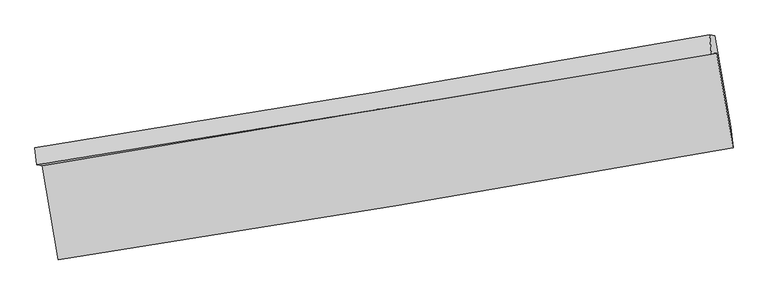
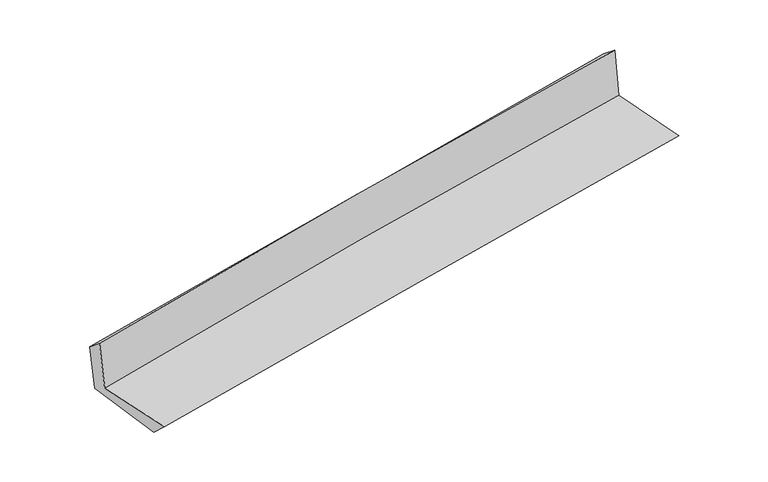
"""IFC4 building model written with IfcOpenShell, lengths in millimetres: proxy geometry."""

from ifc_helpers import new_model, si_unit, frame, origin, place, context, project, spatial, source, transform, mapped, element, save
from ifc_brep_helpers import plane_surface, spline_curve, spline_surface, advanced_brep


def generic_models_70b0cada(model_context):
    return source(origin(), model_context, "Body", "AdvancedBrep", [
        advanced_brep(
        [(-2358.4598446, -1885.3080846, 1650.1018333), (-2245.6253904, -2535.4429975, 1671.448592), (2420.2895149, -1760.4959896, 2091.4919343), (2307.1705756, -1106.5228355, 2084.7296038), (-2396.4537315, -1877.6191044, 2049.7608489), (2270.7645037, -1111.8726547, 2492.0902461), (-2408.163997, -1761.0943532, 1953.0653346), (2257.5271072, -979.5987556, 2385.5204054), (-2373.2833915, -1766.7485491, 1583.4493402), (2291.990428, -985.1917916, 2020.120825), (-2256.9708704, -2409.5764338, 1552.7802272), (2403.9852049, -1613.2755867, 1990.021928)],
        [
            (0, 1),
            (1, 2, spline_curve(3, [(-2245.6253904, -2535.4429975, 1671.448592), (-1467.504706677, -2415.138138757, 1753.145941232), (-689.602927645, -2290.404093747, 1828.999367841), (865.702006598, -2032.087731759, 1969.012901447), (1643.105195864, -1898.506107521, 2033.173922078), (2420.2895149, -1760.4959896, 2091.4919343)], [4, 2, 4], [0.0, 7.791436328258148, 15.582263369742162])),
            (2, 3),
            (3, 0, spline_curve(3, [(2307.1705756, -1106.5228355, 2084.7296038), (1527.971263546, -1235.884676005, 2028.706402276), (749.584243387, -1365.461821116, 1964.477557834), (-805.626023932, -1625.056870389, 1819.602917979), (-1582.449143647, -1755.074808393, 1738.955838856), (-2358.4598446, -1885.3080846, 1650.1018333)], [4, 2, 4], [0.0, 7.790827041484014, 15.582263369742162])),
            (4, 0),
            (3, 5),
            (5, 4, spline_curve(3, [(2270.7645037, -1111.8726547, 2492.0902461), (1492.141467028, -1243.361500597, 2433.89305782), (713.910288475, -1372.915708299, 2367.935425371), (-841.829184713, -1628.164827474, 2220.493506858), (-1619.33741758, -1753.859436349, 2139.008006843), (-2396.4537315, -1877.6191044, 2049.7608489)], [4, 2, 4], [0.0, 7.792380357463375, 15.585370123178986])),
            (6, 4),
            (5, 7),
            (7, 6, spline_curve(3, [(2257.5271072, -979.5987556, 2385.5204054), (1480.560000139, -1114.9206576, 2315.91464947), (703.284069382, -1247.703794718, 2245.075306232), (-851.946250311, -1508.202724329, 2100.923808857), (-1629.900687748, -1635.918119863, 2027.611461738), (-2408.163997, -1761.0943532, 1953.0653346)], [4, 2, 4], [0.0, 7.792381571885781, 15.585372552118773])),
            (8, 6),
            (7, 9),
            (9, 8, spline_curve(3, [(2291.990428, -985.1917916, 2020.120825), (1514.960187426, -1120.502383185, 1951.218309395), (737.687459963, -1253.284961001, 1880.379259814), (-817.403775454, -1513.804275643, 1734.822400923), (-1595.222321064, -1641.54061708, 1660.104289011), (-2373.2833915, -1766.7485491, 1583.4493402)], [4, 2, 4], [0.0, 7.792421643939686, 15.585452699360445])),
            (10, 8),
            (9, 11),
            (11, 10, spline_curve(3, [(2403.9852049, -1613.2755867, 1990.021928), (1626.768548429, -1746.03604508, 1921.263302405), (849.762393105, -1878.772084615, 1850.448686392), (-703.889664723, -2144.205703985, 1704.701774314), (-1480.535534693, -2276.903280265, 1629.769156795), (-2256.9708704, -2409.5764338, 1552.7802272)], [4, 2, 4], [0.0, 7.790950817220898, 15.582510930895893])),
            (1, 10),
            (11, 2),
        ],
        [
            spline_surface(3, 3, [[(-2358.4598446, -1885.3080846, 1650.1018333), (-1582.449143726, -1755.074808466, 1738.955838907), (-805.626023833, -1625.056870438, 1819.602917903), (749.584243288, -1365.461821066, 1964.47755791), (1527.971263466, -1235.884676093, 2028.706402388), (2307.1705756, -1106.5228355, 2084.7296038)], [(-2320.848359866, -2102.01972224, 1657.21741953), (-1544.134331363, -1975.095918556, 1743.685873026), (-766.951658423, -1846.839278199, 1822.735067918), (788.290164393, -1587.670457944, 1965.989339086), (1566.349240983, -1456.758486539, 2030.195575643), (2344.87688871, -1324.51388686, 2086.983713954)], [(-2283.236875134, -2318.73135986, 1664.33300577), (-1505.819519001, -2195.117028627, 1748.415907157), (-728.277293037, -2068.621686003, 1825.867217885), (826.996085475, -1809.879094865, 1967.501120213), (1604.727218469, -1677.632297005, 2031.684748937), (2382.58320179, -1542.50493824, 2089.237824146)], [(-2245.6253904, -2535.4429975, 1671.448592), (-1467.504706637, -2415.138138717, 1753.145941277), (-689.602927626, -2290.404093764, 1828.9993679), (865.70200658, -2032.087731742, 1969.012901388), (1643.105195986, -1898.506107452, 2033.173922191), (2420.2895149, -1760.4959896, 2091.4919343)]], [4, 4], [4, 2, 4], [0.0, 2.218048956236459], [0.0, 7.791436328258148, 15.582263369742162]),
            spline_surface(3, 3, [[(-2396.4537315, -1877.6191044, 2049.7608489), (-1619.337417654, -1753.859436432, 2139.008006901), (-841.829184636, -1628.164827478, 2220.493506848), (713.910288398, -1372.915708295, 2367.935425381), (1492.141467099, -1243.361500693, 2433.893057831), (2270.7645037, -1111.8726547, 2492.0902461)], [(-2383.789102549, -1880.182097816, 1916.541177029), (-1607.041326361, -1754.264560459, 2005.657284232), (-829.761464388, -1627.128841801, 2086.863310538), (725.801606675, -1370.431079222, 2233.449469562), (1504.08473253, -1240.869225832, 2298.830839357), (2282.899860976, -1110.089381639, 2356.303365341)], [(-2371.124473551, -1882.745091184, 1783.321505171), (-1594.745235019, -1754.669684439, 1872.306561576), (-817.693744081, -1626.092856115, 1953.233114214), (737.692925011, -1367.946450139, 2098.963513729), (1516.027998035, -1238.376950953, 2163.768620862), (2295.035218324, -1108.306108561, 2220.516484559)], [(-2358.4598446, -1885.3080846, 1650.1018333), (-1582.449143726, -1755.074808466, 1738.955838907), (-805.626023833, -1625.056870438, 1819.602917903), (749.584243288, -1365.461821066, 1964.47755791), (1527.971263466, -1235.884676093, 2028.706402388), (2307.1705756, -1106.5228355, 2084.7296038)]], [4, 4], [4, 2, 4], [0.0, 1.3248399421493542], [0.0, 7.792989765715611, 15.585370123178986]),
            spline_surface(3, 3, [[(-2408.163997, -1761.0943532, 1953.0653346), (-1629.900687774, -1635.918119903, 2027.611461811), (-851.946250338, -1508.202724339, 2100.923808898), (703.284069409, -1247.703794708, 2245.075306191), (1480.560000068, -1114.920657719, 2315.914649409), (2257.5271072, -979.5987556, 2385.5204054)], [(-2404.260575165, -1799.935936937, 1985.297172691), (-1626.379597733, -1675.231892083, 2064.743643499), (-848.573895095, -1548.19009205, 2140.780374876), (706.826142415, -1289.441099235, 2286.028679249), (1484.4204891, -1157.734272032, 2355.240785561), (2261.939572721, -1023.690055288, 2421.043685645)], [(-2400.357153335, -1838.777520663, 2017.529010809), (-1622.858507695, -1714.545664252, 2101.875825213), (-845.201539879, -1588.177459767, 2180.63694087), (710.368215392, -1331.178403768, 2326.982052323), (1488.280978068, -1200.54788638, 2394.566921679), (2266.352038179, -1067.781355012, 2456.566965855)], [(-2396.4537315, -1877.6191044, 2049.7608489), (-1619.337417654, -1753.859436432, 2139.008006901), (-841.829184636, -1628.164827478, 2220.493506848), (713.910288398, -1372.915708295, 2367.935425381), (1492.141467099, -1243.361500693, 2433.893057831), (2270.7645037, -1111.8726547, 2492.0902461)]], [4, 4], [4, 2, 4], [0.0, 0.5666279086239858], [0.0, 7.792990980232992, 15.585372552118773]),
            spline_surface(3, 3, [[(-2373.2833915, -1766.7485491, 1583.4493402), (-1595.222320998, -1641.540616976, 1660.104289078), (-817.403775366, -1513.804275633, 1734.822401033), (737.687459875, -1253.284961012, 1880.379259704), (1514.960187403, -1120.502383246, 1951.218309391), (2291.990428, -985.1917916, 2020.120825)], [(-2384.91026, -1764.86381711, 1706.654671667), (-1606.78177659, -1639.666451261, 1782.606679989), (-828.917933674, -1511.937091872, 1856.856203639), (726.219663068, -1251.424572248, 2001.944608518), (1503.493458275, -1118.641808086, 2072.783756066), (2280.502654383, -983.327446282, 2141.920685136)], [(-2396.5371285, -1762.97908519, 1829.860003133), (-1618.341232182, -1637.792285618, 1905.109070899), (-840.43209203, -1510.069908099, 1978.890006292), (714.751866216, -1249.564183472, 2123.509957378), (1492.026729196, -1116.781232879, 2194.349202734), (2269.014880817, -981.463100918, 2263.720545264)], [(-2408.163997, -1761.0943532, 1953.0653346), (-1629.900687774, -1635.918119903, 2027.611461811), (-851.946250338, -1508.202724339, 2100.923808898), (703.284069409, -1247.703794708, 2245.075306191), (1480.560000068, -1114.920657719, 2315.914649409), (2257.5271072, -979.5987556, 2385.5204054)]], [4, 4], [4, 2, 4], [0.0, 1.2042779319595507], [0.0, 7.79303105542076, 15.585452699360445]),
            spline_surface(3, 3, [[(-2256.9708704, -2409.5764338, 1552.7802272), (-1480.535534674, -2276.903280344, 1629.769156848), (-703.889664818, -2144.205704071, 1704.701774342), (849.762393201, -1878.772084528, 1850.448686364), (1626.768548459, -1746.036045148, 1921.263302439), (2403.9852049, -1613.2755867, 1990.021928)], [(-2295.74171077, -2195.300472232, 1563.003264886), (-1518.764463452, -2065.115725887, 1639.88086761), (-741.727701676, -1934.071894593, 1714.741983244), (812.404082084, -1670.276376691, 1860.42554415), (1589.49909478, -1537.524824507, 1931.248304739), (2366.653612606, -1403.91432166, 2000.054893649)], [(-2334.51255113, -1981.024510668, 1573.226302514), (-1556.99339222, -1853.328171433, 1649.992578315), (-779.565738508, -1723.938085111, 1724.782192131), (775.045770992, -1461.780668849, 1870.402401919), (1552.229641082, -1329.013603886, 1941.233307091), (2329.322020294, -1194.55305664, 2010.087859351)], [(-2373.2833915, -1766.7485491, 1583.4493402), (-1595.222320998, -1641.540616976, 1660.104289078), (-817.403775366, -1513.804275633, 1734.822401033), (737.687459875, -1253.284961012, 1880.379259704), (1514.960187403, -1120.502383246, 1951.218309391), (2291.990428, -985.1917916, 2020.120825)]], [4, 4], [4, 2, 4], [0.0, 2.0954742877402377], [0.0, 7.791560113674995, 15.582510930895893]),
            spline_surface(3, 3, [[(-2245.6253904, -2535.4429975, 1671.448592), (-1467.504706637, -2415.138138717, 1753.145941277), (-689.602927626, -2290.404093764, 1828.9993679), (865.70200658, -2032.087731742, 1969.012901388), (1643.105195986, -1898.506107452, 2033.173922191), (2420.2895149, -1760.4959896, 2091.4919343)], [(-2249.407217049, -2493.487476265, 1631.892470397), (-1471.848315965, -2369.059852591, 1712.020346464), (-694.365173362, -2241.671297208, 1787.566836709), (860.388802115, -1980.982516012, 1929.491496376), (1637.659646813, -1847.682753353, 1995.870382283), (2414.854744903, -1711.42252197, 2057.668598876)], [(-2253.189043751, -2451.531955035, 1592.336348803), (-1476.191925346, -2322.98156647, 1670.89475166), (-699.127419083, -2192.938500628, 1746.134305533), (855.075597665, -1929.877300258, 1889.970091377), (1632.214097632, -1796.859399246, 1958.566842348), (2409.419974897, -1662.34905433, 2023.845263424)], [(-2256.9708704, -2409.5764338, 1552.7802272), (-1480.535534674, -2276.903280344, 1629.769156848), (-703.889664818, -2144.205704071, 1704.701774342), (849.762393201, -1878.772084528, 1850.448686364), (1626.768548459, -1746.036045148, 1921.263302439), (2403.9852049, -1613.2755867, 1990.021928)]], [4, 4], [4, 2, 4], [0.0, 0.6344927747062872], [0.0, 7.790020853614518, 15.579432531144374]),
            plane_surface(frame((2325.287889, -1259.4929356, 2177.3291571), z_axis=(0.9812183907624951, 0.17065309385113214, 0.08993325963455588), x_axis=(-0.09388917663913532, 0.015237229831954033, 0.995466046300462))),
            plane_surface(frame((-2339.8262042, -2039.2982538, 1743.4343627), z_axis=(-0.9807794482972758, -0.1731716490953086, -0.08990691712712007), x_axis=(-0.17090976558499094, 0.9847559980892823, -0.03233382524331426))),
        ],
        [
            (0, [[1, 2, 3, 4]]),
            (1, [[5, -4, 6, 7]]),
            (2, [[8, -7, 9, 10]]),
            (3, [[11, -10, 12, 13]]),
            (4, [[14, -13, 15, 16]]),
            (5, [[17, -16, 18, -2]]),
            (6, [[-12, -9, -6, -3, -18, -15]]),
            (7, [[-1, -5, -8, -11, -14, -17]]),
        ],
    ),
    ])


if __name__ == "__main__":
    model = new_model("IFC4")
    model_context = context("Model", 3, world=origin())
    ifc_project = project(units=[si_unit("LENGTHUNIT", "METRE", prefix="MILLI")], contexts=[model_context])
    site = spatial("IfcSite", under=ifc_project)
    building = spatial("IfcBuilding", under=site)
    placement = place(None, origin())
    generic_models_shape = generic_models_70b0cada(model_context)
    element("IfcBuildingElementProxy", 1, Name="Generic Models", at=placement, inside=building, context=model_context, shape_type="MappedRepresentation", body=[
        mapped(generic_models_shape, transform((0.0, 0.0, 0.0), x_axis=(1.0, 0.0, 0.0), y_axis=(0.0, 1.0, 0.0), z_axis=(0.0, 0.0, 1.0))),
    ])
    save(model, "model.ifc")
